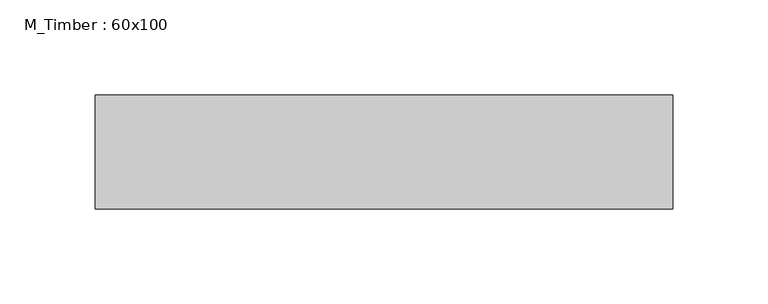
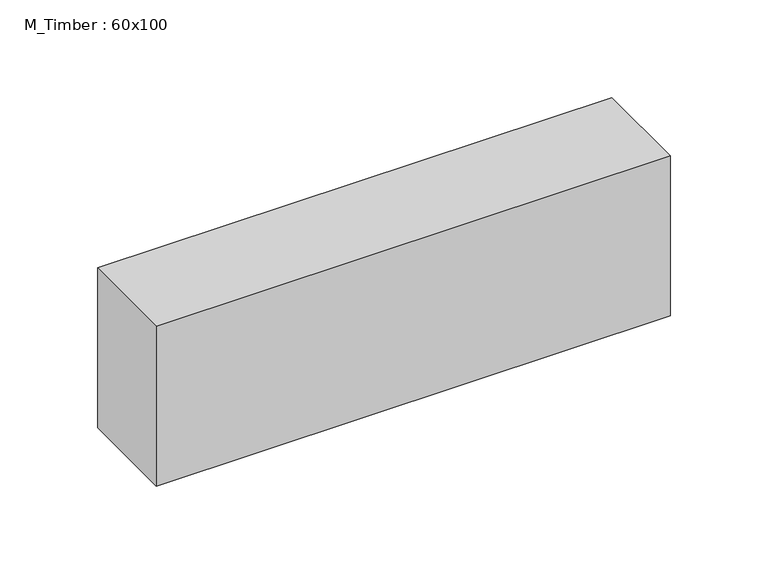
"""IFC4 building model written with IfcOpenShell, lengths in millimetres: beam geometry, M_Timber : 60x100."""

from ifc_helpers import new_model, si_unit, frame, origin, place, context, project, spatial, polyline, outline, extrude, source, transform, mapped, element, save


def m_timber_60x100_44d1e36d(model_context):
    return source(origin(), model_context, "Body", "SweptSolid", [
        extrude(outline(polyline([(154.7322946, 30.0), (154.7322946, -30.0), (-149.0290122, -30.0), (-149.0290122, 30.0), (154.7322946, 30.0)])), frame((0.0, 0.0, -50.0), z_axis=(0.0, 0.0, 1.0), x_axis=(1.0, 0.0, 0.0)), (0.0, 0.0, 1.0), 100.0),
    ])


if __name__ == "__main__":
    model = new_model("IFC4")
    model_context = context("Model", 3, world=origin())
    ifc_project = project(units=[si_unit("LENGTHUNIT", "METRE", prefix="MILLI")], contexts=[model_context])
    site = spatial("IfcSite", under=ifc_project)
    building = spatial("IfcBuilding", under=site)
    placement = place(None, origin())
    m_timber_60x100_shape = m_timber_60x100_44d1e36d(model_context)
    element("IfcBeam", 1, ObjectType="M_Timber : 60x100", at=placement, inside=building, context=model_context, shape_type="MappedRepresentation", body=[
        mapped(m_timber_60x100_shape, transform((0.0, 0.0, 0.0), x_axis=(1.0, 0.0, 0.0), y_axis=(0.0, 1.0, 0.0), z_axis=(0.0, 0.0, 1.0))),
    ])
    save(model, "model.ifc")
